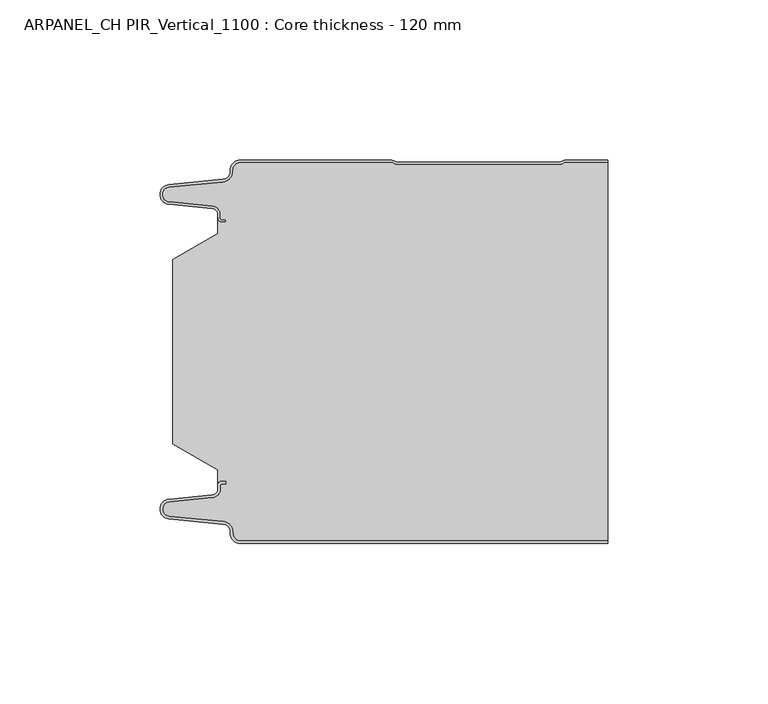
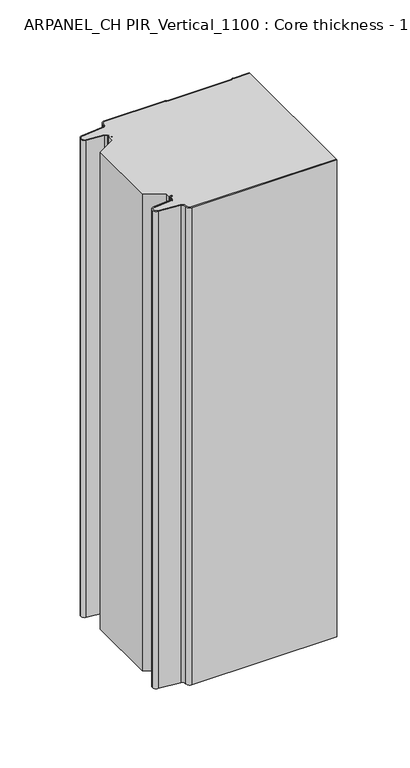
"""IFC4 building model written with IfcOpenShell, lengths in millimetres: plate geometry, ARPANEL_CH PIR_Vertical_1100 : Core thickness - 120 mm."""

from ifc_helpers import new_model, si_unit, frame, origin, place, context, project, spatial, polyline, circle_curve, source, transform, mapped, element, save
from ifc_brep_helpers import plane_surface, cylinder_surface, revolved_surface, advanced_brep


def arpanel_ch_pir_vertical_1100_core_thickness_120_mm_2ff50303(model_context):
    return source(origin(), model_context, "Body", "AdvancedBrep", [
        advanced_brep(
        [(-44.8000003, -119.9996949, 0.0), (-47.9923632, -116.5787437, 0.0), (-50.2560431, -113.9171154, 0.0), (-67.2115315, -112.2546153, 0.0), (-69.9999998, -109.1776715, 0.0), (-67.2115315, -106.1007278, 0.0), (-53.6195785, -104.7680252, 0.0), (-51.9952277, -102.9766159, 0.0), (-51.9952277, -101.8996949, 0.0), (-50.5952277, -100.4996949, 0.0), (-49.4952277, -100.4996949, 0.0), (-49.4952277, -101.2996949, 0.0), (-50.5952277, -101.2996949, 0.0), (-51.1952277, -101.8996949, 0.0), (-51.1952277, -102.9766159, 0.0), (-53.5415122, -105.5642071, 0.0), (-67.1334652, -106.8969097, 0.0), (-69.1999997, -109.1776715, 0.0), (-67.1334652, -111.4584333, 0.0), (-50.1779767, -113.1209335, 0.0), (-47.2078761, -116.6330399, 0.0), (-44.8000003, -119.1996949, 0.0), (69.9999998, -119.2, 0.0), (69.9999998, -119.9996949, 0.0), (-44.8000003, -119.1996949, 400.0), (-47.1942724, -116.6339815, 400.0), (-50.1779767, -113.1209335, 400.0), (-67.1334652, -111.4584333, 400.0), (-69.1999997, -109.1776715, 400.0), (-67.1334652, -106.8969097, 400.0), (-53.5415122, -105.5642071, 400.0), (-51.1952277, -102.9766159, 400.0), (-51.1952277, -101.8996949, 400.0), (-50.5952277, -101.2996949, 400.0), (-49.4952277, -101.2996949, 400.0), (-49.4952277, -100.4996949, 400.0), (-50.5952277, -100.4996949, 400.0), (-51.9952277, -101.8996949, 400.0), (-51.9952277, -102.9766159, 400.0), (-53.6195785, -104.7680252, 400.0), (-67.2115315, -106.1007278, 400.0), (-69.9999998, -109.1776715, 400.0), (-67.2115315, -112.2546153, 400.0), (-50.2560431, -113.9171154, 400.0), (-48.0059668, -116.5778021, 400.0), (-44.8000003, -119.9996949, 400.0), (69.9999998, -119.9996949, 400.0), (69.9999998, -119.2, 400.0)],
        [
            (0, 1, circle_curve(frame((-44.8000003, -116.7996949, 0.0), z_axis=(0.0, 0.0, -1.0), x_axis=(1.0, 0.0, 0.0)), 3.2)),
            (1, 2, circle_curve(frame((-50.5000003, -116.4051839, 0.0), z_axis=(0.0, 0.0, 1.0), x_axis=(1.0, 0.0, 0.0)), 2.5)),
            (2, 3),
            (3, 4, circle_curve(frame((-66.9100003, -109.1793626, 0.0), z_axis=(0.0, 0.0, -1.0), x_axis=(1.0, 0.0, 0.0)), 3.09)),
            (4, 5, circle_curve(frame((-66.9100003, -109.1759805, 0.0), z_axis=(0.0, 0.0, -1.0), x_axis=(1.0, 0.0, 0.0)), 3.09)),
            (5, 6),
            (6, 7, circle_curve(frame((-53.7952277, -102.9766159, 0.0), z_axis=(0.0, 0.0, 1.0), x_axis=(1.0, 0.0, 0.0)), 1.8)),
            (7, 8),
            (8, 9, circle_curve(frame((-50.5952277, -101.8996949, 0.0), z_axis=(0.0, 0.0, -1.0), x_axis=(1.0, 0.0, 0.0)), 1.4)),
            (9, 10),
            (10, 11),
            (11, 12),
            (12, 13, circle_curve(frame((-50.5952277, -101.8996949, 0.0), z_axis=(0.0, 0.0, 1.0), x_axis=(1.0, 0.0, 0.0)), 0.6)),
            (13, 14),
            (14, 15, circle_curve(frame((-53.7952277, -102.9766159, 0.0), z_axis=(0.0, 0.0, -1.0), x_axis=(1.0, 0.0, 0.0)), 2.6)),
            (15, 16),
            (16, 17, circle_curve(frame((-66.9100003, -109.1759805, 0.0), z_axis=(0.0, 0.0, 1.0), x_axis=(1.0, 0.0, 0.0)), 2.29)),
            (17, 18, circle_curve(frame((-66.9100003, -109.1793626, 0.0), z_axis=(0.0, 0.0, 1.0), x_axis=(1.0, 0.0, 0.0)), 2.29)),
            (18, 19),
            (19, 20, circle_curve(frame((-50.5000003, -116.4051839, 0.0), z_axis=(0.0, 0.0, -1.0), x_axis=(1.0, 0.0, 0.0)), 3.3)),
            (20, 21, circle_curve(frame((-44.8000003, -116.7996949, 0.0), z_axis=(0.0, 0.0, 1.0), x_axis=(1.0, 0.0, 0.0)), 2.4)),
            (21, 22),
            (22, 23),
            (23, 0),
            (24, 25, circle_curve(frame((-44.8000003, -116.7996949, 400.0), z_axis=(0.0, 0.0, -1.0), x_axis=(1.0, 0.0, 0.0)), 2.4)),
            (25, 26, circle_curve(frame((-50.5000003, -116.4051839, 400.0), z_axis=(0.0, 0.0, 1.0), x_axis=(1.0, 0.0, 0.0)), 3.3)),
            (26, 27),
            (27, 28, circle_curve(frame((-66.9100003, -109.1793626, 400.0), z_axis=(0.0, 0.0, -1.0), x_axis=(1.0, 0.0, 0.0)), 2.29)),
            (28, 29, circle_curve(frame((-66.9100003, -109.1759805, 400.0), z_axis=(0.0, 0.0, -1.0), x_axis=(1.0, 0.0, 0.0)), 2.29)),
            (29, 30),
            (30, 31, circle_curve(frame((-53.7952277, -102.9766159, 400.0), z_axis=(0.0, 0.0, 1.0), x_axis=(1.0, 0.0, 0.0)), 2.6)),
            (31, 32),
            (32, 33, circle_curve(frame((-50.5952277, -101.8996949, 400.0), z_axis=(0.0, 0.0, -1.0), x_axis=(1.0, 0.0, 0.0)), 0.6)),
            (33, 34),
            (34, 35),
            (35, 36),
            (36, 37, circle_curve(frame((-50.5952277, -101.8996949, 400.0), z_axis=(0.0, 0.0, 1.0), x_axis=(1.0, 0.0, 0.0)), 1.4)),
            (37, 38),
            (38, 39, circle_curve(frame((-53.7952277, -102.9766159, 400.0), z_axis=(0.0, 0.0, -1.0), x_axis=(1.0, 0.0, 0.0)), 1.8)),
            (39, 40),
            (40, 41, circle_curve(frame((-66.9100003, -109.1759805, 400.0), z_axis=(0.0, 0.0, 1.0), x_axis=(1.0, 0.0, 0.0)), 3.09)),
            (41, 42, circle_curve(frame((-66.9100003, -109.1793626, 400.0), z_axis=(0.0, 0.0, 1.0), x_axis=(1.0, 0.0, 0.0)), 3.09)),
            (42, 43),
            (43, 44, circle_curve(frame((-50.5000003, -116.4051839, 400.0), z_axis=(0.0, 0.0, -1.0), x_axis=(1.0, 0.0, 0.0)), 2.5)),
            (44, 45, circle_curve(frame((-44.8000003, -116.7996949, 400.0), z_axis=(0.0, 0.0, 1.0), x_axis=(1.0, 0.0, 0.0)), 3.2)),
            (45, 46),
            (46, 47),
            (47, 24),
            (21, 24),
            (47, 22),
            (20, 25),
            (19, 26),
            (18, 27),
            (17, 28),
            (16, 29),
            (15, 30),
            (14, 31),
            (13, 32),
            (12, 33),
            (11, 34),
            (10, 35),
            (9, 36),
            (8, 37),
            (7, 38),
            (6, 39),
            (5, 40),
            (4, 41),
            (3, 42),
            (2, 43),
            (1, 44),
            (0, 45),
            (23, 46),
        ],
        [
            plane_surface(frame((-69.9999998, -120.0, 0.0), z_axis=(0.0, 0.0, -1.0), x_axis=(0.0, 1.0, 0.0))),
            plane_surface(frame((-69.9999998, -120.0, 400.0), z_axis=(0.0, 0.0, 1.0), x_axis=(0.0, 1.0, 0.0))),
            plane_surface(frame((-44.8000003, -119.2, 0.0), z_axis=(0.0, 1.0, 0.0), x_axis=(0.0, 0.0, 1.0))),
            revolved_surface(polyline([(-42.4000003, -116.7996949, 400.0), (-42.4000003, -116.7996949, 0.0)]), (-44.8000003, -116.7996949, 0.0), (0.0, 0.0, 1.0)),
            cylinder_surface(frame((-50.5000003, -116.4051839, 0.0), z_axis=(0.0, 0.0, -1.0), x_axis=(1.0, 0.0, 0.0)), 3.3),
            plane_surface(frame((-67.1334652, -111.4584333, 0.0), z_axis=(0.09758289975914758, 0.9952273999818314, 0.0), x_axis=(0.0, 0.0, 1.0))),
            revolved_surface(polyline([(-64.62000029999999, -109.1793626, 400.0), (-64.62000029999999, -109.1793626, 0.0)]), (-66.9100003, -109.1793626, 0.0), (0.0, 0.0, 1.0)),
            revolved_surface(polyline([(-64.62000029999999, -109.1759805, 400.0), (-64.62000029999999, -109.1759805, 0.0)]), (-66.9100003, -109.1759805, 0.0), (0.0, 0.0, 1.0)),
            plane_surface(frame((-53.5415122, -105.5642071, 0.0), z_axis=(0.09758289975914383, -0.9952273999818317, 0.0), x_axis=(0.0, 0.0, 1.0))),
            cylinder_surface(frame((-53.7952277, -102.9766159, 0.0), z_axis=(0.0, 0.0, -1.0), x_axis=(1.0, 0.0, 0.0)), 2.6),
            plane_surface(frame((-51.1952277, -101.8996949, 0.0), z_axis=(1.0, 0.0, 0.0), x_axis=(0.0, 0.0, 1.0))),
            revolved_surface(polyline([(-49.9952277, -101.8996949, 400.0), (-49.9952277, -101.8996949, 0.0)]), (-50.5952277, -101.8996949, 0.0), (0.0, 0.0, 1.0)),
            plane_surface(frame((-49.4952277, -101.2996949, 0.0), z_axis=(0.0, -1.0, 0.0), x_axis=(0.0, 0.0, 1.0))),
            plane_surface(frame((-49.4952277, -100.4996949, 0.0), z_axis=(1.0, 0.0, 0.0), x_axis=(0.0, 0.0, 1.0))),
            plane_surface(frame((-50.5952277, -100.4996949, 0.0), z_axis=(0.0, 1.0, 0.0), x_axis=(0.0, 0.0, 1.0))),
            cylinder_surface(frame((-50.5952277, -101.8996949, 0.0), z_axis=(0.0, 0.0, -1.0), x_axis=(1.0, 0.0, 0.0)), 1.4),
            plane_surface(frame((-51.9952277, -102.9766159, 0.0), z_axis=(-1.0, 0.0, 0.0), x_axis=(0.0, 0.0, 1.0))),
            revolved_surface(polyline([(-51.9952277, -102.9766159, 400.0), (-51.9952277, -102.9766159, 0.0)]), (-53.7952277, -102.9766159, 0.0), (0.0, 0.0, 1.0)),
            plane_surface(frame((-67.2115315, -106.1007278, 0.0), z_axis=(-0.09758289975914387, 0.9952273999818317, 0.0), x_axis=(0.0, 0.0, 1.0))),
            cylinder_surface(frame((-66.9100003, -109.1759805, 0.0), z_axis=(0.0, 0.0, -1.0), x_axis=(1.0, 0.0, 0.0)), 3.09),
            cylinder_surface(frame((-66.9100003, -109.1793626, 0.0), z_axis=(0.0, 0.0, -1.0), x_axis=(1.0, 0.0, 0.0)), 3.09),
            plane_surface(frame((-50.2560431, -113.9171154, 0.0), z_axis=(-0.09758289975914762, -0.9952273999818314, 0.0), x_axis=(0.0, 0.0, 1.0))),
            revolved_surface(polyline([(-48.0000003, -116.4051839, 400.0), (-48.0000003, -116.4051839, 0.0)]), (-50.5000003, -116.4051839, 0.0), (0.0, 0.0, 1.0)),
            cylinder_surface(frame((-44.8000003, -116.7996949, 0.0), z_axis=(0.0, 0.0, -1.0), x_axis=(1.0, 0.0, 0.0)), 3.2),
            plane_surface(frame((1046.009932, -119.9996949, 0.0), z_axis=(0.0, -1.0, 0.0), x_axis=(0.0, 0.0, 1.0))),
            plane_surface(frame((69.9999998, 180.0, 400.0), z_axis=(1.0, 0.0, 0.0), x_axis=(0.0, 0.0, -1.0))),
        ],
        [
            (0, [[1, 2, 3, 4, 5, 6, 7, 8, 9, 10, 11, 12, 13, 14, 15, 16, 17, 18, 19, 20, 21, 22, 23, 24]]),
            (1, [[25, 26, 27, 28, 29, 30, 31, 32, 33, 34, 35, 36, 37, 38, 39, 40, 41, 42, 43, 44, 45, 46, 47, 48]]),
            (2, [[49, -48, 50, -22]]),
            (3, [[-21, 51, -25, -49]]),
            (4, [[-20, 52, -26, -51]]),
            (5, [[-19, 53, -27, -52]]),
            (6, [[-18, 54, -28, -53]]),
            (7, [[-17, 55, -29, -54]]),
            (8, [[-16, 56, -30, -55]]),
            (9, [[-15, 57, -31, -56]]),
            (10, [[-14, 58, -32, -57]]),
            (11, [[-13, 59, -33, -58]]),
            (12, [[-12, 60, -34, -59]]),
            (13, [[-11, 61, -35, -60]]),
            (14, [[-10, 62, -36, -61]]),
            (15, [[-9, 63, -37, -62]]),
            (16, [[-8, 64, -38, -63]]),
            (17, [[-7, 65, -39, -64]]),
            (18, [[-6, 66, -40, -65]]),
            (19, [[-5, 67, -41, -66]]),
            (20, [[-4, 68, -42, -67]]),
            (21, [[-3, 69, -43, -68]]),
            (22, [[-2, 70, -44, -69]]),
            (23, [[-1, 71, -45, -70]]),
            (24, [[-71, -24, 72, -46]]),
            (25, [[-23, -50, -47, -72]]),
        ],
    ),
        advanced_brep(
        [(-51.9952277, -23.1062917, 400.0), (-66.0446509, -31.1628062, 400.0), (-66.0446509, -88.7531937, 400.0), (-51.9952277, -96.8937083, 400.0), (-51.9952277, -100.4996949, 400.0), (-51.9952277, -101.8996949, 400.0), (-50.5952277, -100.4996949, 400.0), (-49.4952277, -100.4996949, 400.0), (-49.4952277, -101.2996949, 400.0), (-50.5952277, -101.2996949, 400.0), (-51.1952277, -101.8996949, 400.0), (-51.1952277, -102.9766159, 400.0), (-53.5415122, -105.5642071, 400.0), (-67.1334652, -106.8969097, 400.0), (-69.1999997, -109.1776715, 400.0), (-67.1334652, -111.4584333, 400.0), (-50.1779767, -113.1209335, 400.0), (-47.2078761, -116.6330399, 400.0), (-44.8000003, -119.1996949, 400.0), (69.9999998, -119.2, 400.0), (69.9999998, -0.8, 400.0), (57.0487965, -0.8, 400.0), (55.9973806, -1.0986697, 400.0), (54.5769997, -1.5003051, 400.0), (4.4172165, -1.5003051, 400.0), (2.9978051, -1.0971009, 400.0), (1.9454197, -0.8, 400.0), (-44.8000003, -0.8, 400.0), (-47.1942724, -3.3660185, 400.0), (-50.1779767, -6.8790665, 400.0), (-67.1334652, -8.5415667, 400.0), (-69.1999997, -10.8223285, 400.0), (-67.1334652, -13.1030903, 400.0), (-53.5415122, -14.4357929, 400.0), (-51.1952277, -17.0233841, 400.0), (-51.1952277, -18.1003051, 400.0), (-50.5952277, -18.7003051, 400.0), (-49.4952277, -18.7003051, 400.0), (-49.4952277, -19.5003051, 400.0), (-50.5952277, -19.5003051, 400.0), (-51.9952277, -18.1003051, 400.0), (-51.9952277, -19.5003051, 400.0), (-51.9952277, -96.8937083, 0.0), (-66.0446509, -88.7531937, 0.0), (-66.0446509, -31.1628062, 0.0), (-51.9952277, -23.1062917, 0.0), (-51.9952277, -19.5003051, 0.0), (-51.9952277, -18.1003051, 0.0), (-50.5952277, -19.5003051, 0.0), (-49.4952277, -19.5003051, 0.0), (-49.4952277, -18.7003051, 0.0), (-50.5952277, -18.7003051, 0.0), (-51.1952277, -18.1003051, 0.0), (-51.1952277, -17.0233841, 0.0), (-53.5415122, -14.4357929, 0.0), (-67.1334652, -13.1030903, 0.0), (-69.1999997, -10.8223285, 0.0), (-67.1334652, -8.5415667, 0.0), (-50.1779767, -6.8790665, 0.0), (-47.2078761, -3.3669601, 0.0), (-44.8000003, -0.8003051, 0.0), (1.9454197, -0.8, 0.0), (2.9968355, -1.0986697, 0.0), (4.4172165, -1.5003051, 0.0), (54.5769997, -1.5003051, 0.0), (55.9964111, -1.0971009, 0.0), (57.0487965, -0.8, 0.0), (69.9999998, -0.8, 0.0), (69.9999998, -119.2, 0.0), (-44.8000003, -119.2, 0.0), (-47.1942724, -116.6339815, 0.0), (-50.1779767, -113.1209335, 0.0), (-67.1334652, -111.4584333, 0.0), (-69.1999997, -109.1776715, 0.0), (-67.1334652, -106.8969097, 0.0), (-53.5415122, -105.5642071, 0.0), (-51.1952277, -102.9766159, 0.0), (-51.1952277, -101.8996949, 0.0), (-50.5952277, -101.2996949, 0.0), (-49.4952277, -101.2996949, 0.0), (-49.4952277, -100.4996949, 0.0), (-50.5952277, -100.4996949, 0.0), (-51.9952277, -101.8996949, 0.0), (-51.9952277, -100.4996949, 0.0)],
        [
            (0, 1),
            (1, 2),
            (2, 3),
            (3, 4),
            (4, 5),
            (5, 6, circle_curve(frame((-50.5952277, -101.8996949, 400.0), z_axis=(0.0, 0.0, -1.0), x_axis=(1.0, 0.0, 0.0)), 1.4)),
            (6, 7),
            (7, 8),
            (8, 9),
            (9, 10, circle_curve(frame((-50.5952277, -101.8996949, 400.0), z_axis=(0.0, 0.0, 1.0), x_axis=(1.0, 0.0, 0.0)), 0.6)),
            (10, 11),
            (11, 12, circle_curve(frame((-53.7952277, -102.9766159, 400.0), z_axis=(0.0, 0.0, -1.0), x_axis=(1.0, 0.0, 0.0)), 2.6)),
            (12, 13),
            (13, 14, circle_curve(frame((-66.9100003, -109.1759805, 400.0), z_axis=(0.0, 0.0, 1.0), x_axis=(1.0, 0.0, 0.0)), 2.29)),
            (14, 15, circle_curve(frame((-66.9100003, -109.1793626, 400.0), z_axis=(0.0, 0.0, 1.0), x_axis=(1.0, 0.0, 0.0)), 2.29)),
            (15, 16),
            (16, 17, circle_curve(frame((-50.5000003, -116.4051839, 400.0), z_axis=(0.0, 0.0, -1.0), x_axis=(1.0, 0.0, 0.0)), 3.3)),
            (17, 18, circle_curve(frame((-44.8000003, -116.7996949, 400.0), z_axis=(0.0, 0.0, 1.0), x_axis=(1.0, 0.0, 0.0)), 2.4)),
            (18, 19),
            (19, 20),
            (20, 21),
            (21, 22, circle_curve(frame((57.0487965, -2.8, 400.0), z_axis=(0.0, 0.0, 1.0), x_axis=(1.0, 0.0, 0.0)), 2.0)),
            (22, 23, circle_curve(frame((54.5769997, 1.1996949, 400.0), z_axis=(0.0, 0.0, -1.0), x_axis=(1.0, 0.0, 0.0)), 2.7)),
            (23, 24),
            (24, 25, circle_curve(frame((4.4172165, 1.1996949, 400.0), z_axis=(0.0, 0.0, -1.0), x_axis=(1.0, 0.0, 0.0)), 2.7)),
            (25, 26, circle_curve(frame((1.9454197, -2.8, 400.0), z_axis=(0.0, 0.0, 1.0), x_axis=(1.0, 0.0, 0.0)), 2.0)),
            (26, 27),
            (27, 28, circle_curve(frame((-44.8000003, -3.2003051, 400.0), z_axis=(0.0, 0.0, 1.0), x_axis=(1.0, 0.0, 0.0)), 2.4)),
            (28, 29, circle_curve(frame((-50.5000003, -3.5948161, 400.0), z_axis=(0.0, 0.0, -1.0), x_axis=(1.0, 0.0, 0.0)), 3.3)),
            (29, 30),
            (30, 31, circle_curve(frame((-66.9100003, -10.8206374, 400.0), z_axis=(0.0, 0.0, 1.0), x_axis=(1.0, 0.0, 0.0)), 2.29)),
            (31, 32, circle_curve(frame((-66.9100003, -10.8240195, 400.0), z_axis=(0.0, 0.0, 1.0), x_axis=(1.0, 0.0, 0.0)), 2.29)),
            (32, 33),
            (33, 34, circle_curve(frame((-53.7952277, -17.0233841, 400.0), z_axis=(0.0, 0.0, -1.0), x_axis=(1.0, 0.0, 0.0)), 2.6)),
            (34, 35),
            (35, 36, circle_curve(frame((-50.5952277, -18.1003051, 400.0), z_axis=(0.0, 0.0, 1.0), x_axis=(1.0, 0.0, 0.0)), 0.6)),
            (36, 37),
            (37, 38),
            (38, 39),
            (39, 40, circle_curve(frame((-50.5952277, -18.1003051, 400.0), z_axis=(0.0, 0.0, -1.0), x_axis=(1.0, 0.0, 0.0)), 1.4)),
            (40, 41),
            (41, 0),
            (42, 43),
            (43, 44),
            (44, 45),
            (45, 46),
            (46, 47),
            (47, 48, circle_curve(frame((-50.5952277, -18.1003051, 0.0), z_axis=(0.0, 0.0, 1.0), x_axis=(1.0, 0.0, 0.0)), 1.4)),
            (48, 49),
            (49, 50),
            (50, 51),
            (51, 52, circle_curve(frame((-50.5952277, -18.1003051, 0.0), z_axis=(0.0, 0.0, -1.0), x_axis=(1.0, 0.0, 0.0)), 0.6)),
            (52, 53),
            (53, 54, circle_curve(frame((-53.7952277, -17.0233841, 0.0), z_axis=(0.0, 0.0, 1.0), x_axis=(1.0, 0.0, 0.0)), 2.6)),
            (54, 55),
            (55, 56, circle_curve(frame((-66.9100003, -10.8240195, 0.0), z_axis=(0.0, 0.0, -1.0), x_axis=(1.0, 0.0, 0.0)), 2.29)),
            (56, 57, circle_curve(frame((-66.9100003, -10.8206374, 0.0), z_axis=(0.0, 0.0, -1.0), x_axis=(1.0, 0.0, 0.0)), 2.29)),
            (57, 58),
            (58, 59, circle_curve(frame((-50.5000003, -3.5948161, 0.0), z_axis=(0.0, 0.0, 1.0), x_axis=(1.0, 0.0, 0.0)), 3.3)),
            (59, 60, circle_curve(frame((-44.8000003, -3.2003051, 0.0), z_axis=(0.0, 0.0, -1.0), x_axis=(1.0, 0.0, 0.0)), 2.4)),
            (60, 61),
            (61, 62, circle_curve(frame((1.9454197, -2.8, 0.0), z_axis=(0.0, 0.0, -1.0), x_axis=(1.0, 0.0, 0.0)), 2.0)),
            (62, 63, circle_curve(frame((4.4172165, 1.1996949, 0.0), z_axis=(0.0, 0.0, 1.0), x_axis=(1.0, 0.0, 0.0)), 2.7)),
            (63, 64),
            (64, 65, circle_curve(frame((54.5769997, 1.1996949, 0.0), z_axis=(0.0, 0.0, 1.0), x_axis=(1.0, 0.0, 0.0)), 2.7)),
            (65, 66, circle_curve(frame((57.0487965, -2.8, 0.0), z_axis=(0.0, 0.0, -1.0), x_axis=(1.0, 0.0, 0.0)), 2.0)),
            (66, 67),
            (67, 68),
            (68, 69),
            (69, 70, circle_curve(frame((-44.8000003, -116.7996949, 0.0), z_axis=(0.0, 0.0, -1.0), x_axis=(1.0, 0.0, 0.0)), 2.4)),
            (70, 71, circle_curve(frame((-50.5000003, -116.4051839, 0.0), z_axis=(0.0, 0.0, 1.0), x_axis=(1.0, 0.0, 0.0)), 3.3)),
            (71, 72),
            (72, 73, circle_curve(frame((-66.9100003, -109.1793626, 0.0), z_axis=(0.0, 0.0, -1.0), x_axis=(1.0, 0.0, 0.0)), 2.29)),
            (73, 74, circle_curve(frame((-66.9100003, -109.1759805, 0.0), z_axis=(0.0, 0.0, -1.0), x_axis=(1.0, 0.0, 0.0)), 2.29)),
            (74, 75),
            (75, 76, circle_curve(frame((-53.7952277, -102.9766159, 0.0), z_axis=(0.0, 0.0, 1.0), x_axis=(1.0, 0.0, 0.0)), 2.6)),
            (76, 77),
            (77, 78, circle_curve(frame((-50.5952277, -101.8996949, 0.0), z_axis=(0.0, 0.0, -1.0), x_axis=(1.0, 0.0, 0.0)), 0.6)),
            (78, 79),
            (79, 80),
            (80, 81),
            (81, 82, circle_curve(frame((-50.5952277, -101.8996949, 0.0), z_axis=(0.0, 0.0, 1.0), x_axis=(1.0, 0.0, 0.0)), 1.4)),
            (82, 83),
            (83, 42),
            (45, 0),
            (40, 47),
            (1, 44),
            (43, 2),
            (42, 3),
            (82, 5),
            (18, 69),
            (68, 19),
            (17, 70),
            (16, 71),
            (15, 72),
            (14, 73),
            (13, 74),
            (12, 75),
            (11, 76),
            (10, 77),
            (9, 78),
            (8, 79),
            (7, 80),
            (6, 81),
            (60, 27),
            (26, 61),
            (25, 62),
            (24, 63),
            (23, 64),
            (22, 65),
            (21, 66),
            (20, 67),
            (39, 48),
            (38, 49),
            (37, 50),
            (36, 51),
            (35, 52),
            (34, 53),
            (33, 54),
            (32, 55),
            (31, 56),
            (30, 57),
            (29, 58),
            (28, 59),
        ],
        [
            plane_surface(frame((-69.9999998, 0.0, 400.0), z_axis=(0.0, 0.0, 1.0), x_axis=(0.0, -1.0, 0.0))),
            plane_surface(frame((-69.9999998, 0.0, 0.0), z_axis=(0.0, 0.0, -1.0), x_axis=(0.0, -1.0, 0.0))),
            plane_surface(frame((-51.9952277, -17.0229218, 400.0), z_axis=(-1.0, 0.0, 0.0), x_axis=(0.0, 0.0, -1.0))),
            plane_surface(frame((-66.0446509, -31.1628062, 400.0), z_axis=(-1.0, 0.0, 0.0), x_axis=(0.0, 0.0, -1.0))),
            plane_surface(frame((-51.9952277, -23.1062917, 400.0), z_axis=(-0.4974543664933155, 0.8674901459133322, 0.0), x_axis=(0.0, 0.0, -1.0))),
            plane_surface(frame((-66.0446509, -88.7531937, 400.0), z_axis=(-0.5013424225369615, -0.8652489672717159, 0.0), x_axis=(0.0, 0.0, -1.0))),
            plane_surface(frame((-51.9952277, -96.8937083, 400.0), z_axis=(-1.0, 0.0, 0.0), x_axis=(0.0, 0.0, -1.0))),
            plane_surface(frame((1046.009932, -119.2, 530.0), z_axis=(0.0, -1.0, 0.0), x_axis=(0.0, 0.0, -1.0))),
            cylinder_surface(frame((-44.8000003, -116.7996949, 530.0), z_axis=(0.0, 0.0, -1.0), x_axis=(1.0, 0.0, 0.0)), 2.4),
            revolved_surface(polyline([(-47.200000300000006, -116.4051839, 400.0), (-47.200000300000006, -116.4051839, 0.0)]), (-50.5000003, -116.4051839, 530.0), (0.0, 0.0, 1.0)),
            plane_surface(frame((-50.1779767, -113.1209335, 530.0), z_axis=(-0.09758289975914758, -0.9952273999818314, 0.0), x_axis=(0.0, 0.0, -1.0))),
            cylinder_surface(frame((-66.9100003, -109.1793626, 530.0), z_axis=(0.0, 0.0, -1.0), x_axis=(1.0, 0.0, 0.0)), 2.29),
            cylinder_surface(frame((-66.9100003, -109.1759805, 530.0), z_axis=(0.0, 0.0, -1.0), x_axis=(1.0, 0.0, 0.0)), 2.29),
            plane_surface(frame((-67.1334652, -106.8969097, 530.0), z_axis=(-0.09758289975914383, 0.9952273999818317, 0.0), x_axis=(0.0, 0.0, -1.0))),
            revolved_surface(polyline([(-51.1952277, -102.9766159, 400.0), (-51.1952277, -102.9766159, 0.0)]), (-53.7952277, -102.9766159, 530.0), (0.0, 0.0, 1.0)),
            plane_surface(frame((-51.1952277, -102.9766159, 530.0), z_axis=(-1.0, 0.0, 0.0), x_axis=(0.0, 0.0, -1.0))),
            cylinder_surface(frame((-50.5952277, -101.8996949, 530.0), z_axis=(0.0, 0.0, -1.0), x_axis=(1.0, 0.0, 0.0)), 0.6),
            plane_surface(frame((-50.5952277, -101.2996949, 530.0), z_axis=(0.0, 1.0, 0.0), x_axis=(0.0, 0.0, -1.0))),
            plane_surface(frame((-49.4952277, -101.2996949, 530.0), z_axis=(-1.0, 0.0, 0.0), x_axis=(0.0, 0.0, -1.0))),
            plane_surface(frame((-49.4952277, -100.4996949, 530.0), z_axis=(0.0, -1.0, 0.0), x_axis=(0.0, 0.0, -1.0))),
            revolved_surface(polyline([(-49.195227700000004, -101.8996949, 400.0), (-49.195227700000004, -101.8996949, 0.0)]), (-50.5952277, -101.8996949, 530.0), (0.0, 0.0, 1.0)),
            plane_surface(frame((-44.8000003, -0.8, 530.0), z_axis=(0.0, 1.0, 0.0), x_axis=(0.0, 0.0, -1.0))),
            cylinder_surface(frame((1.9454197, -2.8, 530.0), z_axis=(0.0, 0.0, -1.0), x_axis=(1.0, 0.0, 0.0)), 2.0),
            revolved_surface(polyline([(7.1172165000000005, 1.1996949, 400.0), (7.1172165000000005, 1.1996949, 0.0)]), (4.4172165, 1.1996949, 530.0), (0.0, 0.0, 1.0)),
            plane_surface(frame((4.4172165, -1.5003051, 530.0), z_axis=(0.0, 1.0, 0.0), x_axis=(0.0, 0.0, -1.0))),
            revolved_surface(polyline([(57.276999700000005, 1.1996949, 400.0), (57.276999700000005, 1.1996949, 0.0)]), (54.5769997, 1.1996949, 530.0), (0.0, 0.0, 1.0)),
            cylinder_surface(frame((57.0487965, -2.8, 530.0), z_axis=(0.0, 0.0, -1.0), x_axis=(1.0, 0.0, 0.0)), 2.0),
            plane_surface(frame((57.0487965, -0.8, 530.0), z_axis=(0.0, 1.0, 0.0), x_axis=(0.0, 0.0, -1.0))),
            revolved_surface(polyline([(-49.195227700000004, -18.1003051, 400.0), (-49.195227700000004, -18.1003051, 0.0)]), (-50.5952277, -18.1003051, 530.0), (0.0, 0.0, 1.0)),
            plane_surface(frame((-50.5952277, -19.5003051, 530.0), z_axis=(0.0, 1.0, 0.0), x_axis=(0.0, 0.0, -1.0))),
            plane_surface(frame((-49.4952277, -19.5003051, 530.0), z_axis=(-1.0, 0.0, 0.0), x_axis=(0.0, 0.0, -1.0))),
            plane_surface(frame((-49.4952277, -18.7003051, 530.0), z_axis=(0.0, -1.0, 0.0), x_axis=(0.0, 0.0, -1.0))),
            cylinder_surface(frame((-50.5952277, -18.1003051, 530.0), z_axis=(0.0, 0.0, -1.0), x_axis=(1.0, 0.0, 0.0)), 0.6),
            plane_surface(frame((-51.1952277, -18.1003051, 530.0), z_axis=(-1.0, 0.0, 0.0), x_axis=(0.0, 0.0, -1.0))),
            revolved_surface(polyline([(-51.1952277, -17.0233841, 400.0), (-51.1952277, -17.0233841, 0.0)]), (-53.7952277, -17.0233841, 530.0), (0.0, 0.0, 1.0)),
            plane_surface(frame((-53.5415122, -14.4357929, 530.0), z_axis=(-0.09758289975914705, -0.9952273999818314, 0.0), x_axis=(0.0, 0.0, -1.0))),
            cylinder_surface(frame((-66.9100003, -10.8240195, 530.0), z_axis=(0.0, 0.0, -1.0), x_axis=(1.0, 0.0, 0.0)), 2.29),
            cylinder_surface(frame((-66.9100003, -10.8206374, 530.0), z_axis=(0.0, 0.0, -1.0), x_axis=(1.0, 0.0, 0.0)), 2.29),
            plane_surface(frame((-67.1334652, -8.5415667, 530.0), z_axis=(-0.09758289975914436, 0.9952273999818317, 0.0), x_axis=(0.0, 0.0, -1.0))),
            revolved_surface(polyline([(-47.200000300000006, -3.5948161, 400.0), (-47.200000300000006, -3.5948161, 0.0)]), (-50.5000003, -3.5948161, 530.0), (0.0, 0.0, 1.0)),
            cylinder_surface(frame((-44.8000003, -3.2003051, 530.0), z_axis=(0.0, 0.0, -1.0), x_axis=(1.0, 0.0, 0.0)), 2.4),
            plane_surface(frame((69.9999998, 180.0, 400.0), z_axis=(1.0, 0.0, 0.0), x_axis=(0.0, 0.0, -1.0))),
        ],
        [
            (0, [[1, 2, 3, 4, 5, 6, 7, 8, 9, 10, 11, 12, 13, 14, 15, 16, 17, 18, 19, 20, 21, 22, 23, 24, 25, 26, 27, 28, 29, 30, 31, 32, 33, 34, 35, 36, 37, 38, 39, 40, 41, 42]]),
            (1, [[43, 44, 45, 46, 47, 48, 49, 50, 51, 52, 53, 54, 55, 56, 57, 58, 59, 60, 61, 62, 63, 64, 65, 66, 67, 68, 69, 70, 71, 72, 73, 74, 75, 76, 77, 78, 79, 80, 81, 82, 83, 84]]),
            (2, [[85, -42, -41, 86, -47, -46]]),
            (3, [[-2, 87, -44, 88]]),
            (4, [[-1, -85, -45, -87]]),
            (5, [[-3, -88, -43, 89]]),
            (6, [[-89, -84, -83, 90, -5, -4]]),
            (7, [[91, -69, 92, -19]]),
            (8, [[-91, -18, 93, -70]]),
            (9, [[-93, -17, 94, -71]]),
            (10, [[-94, -16, 95, -72]]),
            (11, [[-95, -15, 96, -73]]),
            (12, [[-96, -14, 97, -74]]),
            (13, [[-97, -13, 98, -75]]),
            (14, [[-98, -12, 99, -76]]),
            (15, [[-99, -11, 100, -77]]),
            (16, [[-100, -10, 101, -78]]),
            (17, [[-101, -9, 102, -79]]),
            (18, [[-102, -8, 103, -80]]),
            (19, [[-103, -7, 104, -81]]),
            (20, [[-104, -6, -90, -82]]),
            (21, [[105, -27, 106, -61]]),
            (22, [[-106, -26, 107, -62]]),
            (23, [[-107, -25, 108, -63]]),
            (24, [[-108, -24, 109, -64]]),
            (25, [[-109, -23, 110, -65]]),
            (26, [[-110, -22, 111, -66]]),
            (27, [[-111, -21, 112, -67]]),
            (28, [[113, -48, -86, -40]]),
            (29, [[-113, -39, 114, -49]]),
            (30, [[-114, -38, 115, -50]]),
            (31, [[-115, -37, 116, -51]]),
            (32, [[-116, -36, 117, -52]]),
            (33, [[-117, -35, 118, -53]]),
            (34, [[-118, -34, 119, -54]]),
            (35, [[-119, -33, 120, -55]]),
            (36, [[-120, -32, 121, -56]]),
            (37, [[-121, -31, 122, -57]]),
            (38, [[-122, -30, 123, -58]]),
            (39, [[-123, -29, 124, -59]]),
            (40, [[-105, -60, -124, -28]]),
            (41, [[-92, -68, -112, -20]]),
        ],
    ),
        advanced_brep(
        [(2.9968355, -1.0986697, 0.0), (1.9454197, -0.8, 0.0), (-44.8000003, -0.8, 0.0), (-47.1942724, -3.3660185, 0.0), (-50.1779767, -6.8790665, 0.0), (-67.1334652, -8.5415667, 0.0), (-69.1999997, -10.8223285, 0.0), (-67.1334652, -13.1030903, 0.0), (-53.5415122, -14.4357929, 0.0), (-51.1952277, -17.0233841, 0.0), (-51.1952277, -18.1003051, 0.0), (-50.5952277, -18.7003051, 0.0), (-49.4952277, -18.7003051, 0.0), (-49.4952277, -19.5003051, 0.0), (-50.5952277, -19.5003051, 0.0), (-51.9952277, -18.1003051, 0.0), (-51.9952277, -17.0233841, 0.0), (-53.6195785, -15.2319748, 0.0), (-67.2115315, -13.8992722, 0.0), (-69.9999998, -10.8223285, 0.0), (-67.2115315, -7.7453847, 0.0), (-50.2560431, -6.0828846, 0.0), (-48.0059668, -3.4221979, 0.0), (-44.8000003, -0.0003051, 0.0), (1.9454197, -0.0003051, 0.0), (3.3647528, -0.4034608, 0.0), (4.4172165, -0.7003051, 0.0), (54.5769997, -0.7003051, 0.0), (55.6283575, -0.4016712, 0.0), (57.0487965, -0.0003051, 0.0), (69.9999998, -0.0003051, 0.0), (69.9999998, -0.8, 0.0), (57.0487965, -0.8, 0.0), (55.9973806, -1.0986697, 0.0), (54.5769997, -1.5003051, 0.0), (4.4172165, -1.5003051, 0.0), (2.9978051, -1.0971009, 400.0), (4.4172165, -1.5003051, 400.0), (54.5769997, -1.5003051, 400.0), (55.9964111, -1.0971009, 400.0), (57.0487965, -0.8, 400.0), (69.9999998, -0.8, 400.0), (69.9999998, -0.0003051, 400.0), (57.0487965, -0.0003051, 400.0), (55.6294634, -0.4034608, 400.0), (54.5769997, -0.7003051, 400.0), (4.4172165, -0.7003051, 400.0), (3.3658586, -0.4016712, 400.0), (1.9454197, -0.0003051, 400.0), (-44.8000003, -0.0003051, 400.0), (-47.9923632, -3.4212563, 400.0), (-50.2560431, -6.0828846, 400.0), (-67.2115315, -7.7453847, 400.0), (-69.9999998, -10.8223285, 400.0), (-67.2115315, -13.8992722, 400.0), (-53.6195785, -15.2319748, 400.0), (-51.9952277, -17.0233841, 400.0), (-51.9952277, -18.1003051, 400.0), (-50.5952277, -19.5003051, 400.0), (-49.4952277, -19.5003051, 400.0), (-49.4952277, -18.7003051, 400.0), (-50.5952277, -18.7003051, 400.0), (-51.1952277, -18.1003051, 400.0), (-51.1952277, -17.0233841, 400.0), (-53.5415122, -14.4357929, 400.0), (-67.1334652, -13.1030903, 400.0), (-69.1999997, -10.8223285, 400.0), (-67.1334652, -8.5415667, 400.0), (-50.1779767, -6.8790665, 400.0), (-47.2078761, -3.3669601, 400.0), (-44.8000003, -0.8003051, 400.0), (1.9454197, -0.8, 400.0)],
        [
            (0, 1, circle_curve(frame((1.9454197, -2.8, 0.0), z_axis=(0.0, 0.0, 1.0), x_axis=(1.0, 0.0, 0.0)), 2.0)),
            (1, 2),
            (2, 3, circle_curve(frame((-44.8000003, -3.2003051, 0.0), z_axis=(0.0, 0.0, 1.0), x_axis=(1.0, 0.0, 0.0)), 2.4)),
            (3, 4, circle_curve(frame((-50.5000003, -3.5948161, 0.0), z_axis=(0.0, 0.0, -1.0), x_axis=(1.0, 0.0, 0.0)), 3.3)),
            (4, 5),
            (5, 6, circle_curve(frame((-66.9100003, -10.8206374, 0.0), z_axis=(0.0, 0.0, 1.0), x_axis=(1.0, 0.0, 0.0)), 2.29)),
            (6, 7, circle_curve(frame((-66.9100003, -10.8240195, 0.0), z_axis=(0.0, 0.0, 1.0), x_axis=(1.0, 0.0, 0.0)), 2.29)),
            (7, 8),
            (8, 9, circle_curve(frame((-53.7952277, -17.0233841, 0.0), z_axis=(0.0, 0.0, -1.0), x_axis=(1.0, 0.0, 0.0)), 2.6)),
            (9, 10),
            (10, 11, circle_curve(frame((-50.5952277, -18.1003051, 0.0), z_axis=(0.0, 0.0, 1.0), x_axis=(1.0, 0.0, 0.0)), 0.6)),
            (11, 12),
            (12, 13),
            (13, 14),
            (14, 15, circle_curve(frame((-50.5952277, -18.1003051, 0.0), z_axis=(0.0, 0.0, -1.0), x_axis=(1.0, 0.0, 0.0)), 1.4)),
            (15, 16),
            (16, 17, circle_curve(frame((-53.7952277, -17.0233841, 0.0), z_axis=(0.0, 0.0, 1.0), x_axis=(1.0, 0.0, 0.0)), 1.8)),
            (17, 18),
            (18, 19, circle_curve(frame((-66.9100003, -10.8240195, 0.0), z_axis=(0.0, 0.0, -1.0), x_axis=(1.0, 0.0, 0.0)), 3.09)),
            (19, 20, circle_curve(frame((-66.9100003, -10.8206374, 0.0), z_axis=(0.0, 0.0, -1.0), x_axis=(1.0, 0.0, 0.0)), 3.09)),
            (20, 21),
            (21, 22, circle_curve(frame((-50.5000003, -3.5948161, 0.0), z_axis=(0.0, 0.0, 1.0), x_axis=(1.0, 0.0, 0.0)), 2.5)),
            (22, 23, circle_curve(frame((-44.8000003, -3.2003051, 0.0), z_axis=(0.0, 0.0, -1.0), x_axis=(1.0, 0.0, 0.0)), 3.2)),
            (23, 24),
            (24, 25, circle_curve(frame((1.9454197, -2.7003051, 0.0), z_axis=(0.0, 0.0, -1.0), x_axis=(1.0, 0.0, 0.0)), 2.7)),
            (25, 26, circle_curve(frame((4.4172165, 1.2996949, 0.0), z_axis=(0.0, 0.0, 1.0), x_axis=(1.0, 0.0, 0.0)), 2.0)),
            (26, 27),
            (27, 28, circle_curve(frame((54.5769997, 1.2996949, 0.0), z_axis=(0.0, 0.0, 1.0), x_axis=(1.0, 0.0, 0.0)), 2.0)),
            (28, 29, circle_curve(frame((57.0487965, -2.7003051, 0.0), z_axis=(0.0, 0.0, -1.0), x_axis=(1.0, 0.0, 0.0)), 2.7)),
            (29, 30),
            (30, 31),
            (31, 32),
            (32, 33, circle_curve(frame((57.0487965, -2.8, 0.0), z_axis=(0.0, 0.0, 1.0), x_axis=(1.0, 0.0, 0.0)), 2.0)),
            (33, 34, circle_curve(frame((54.5769997, 1.1996949, 0.0), z_axis=(0.0, 0.0, -1.0), x_axis=(1.0, 0.0, 0.0)), 2.7)),
            (34, 35),
            (35, 0, circle_curve(frame((4.4172165, 1.1996949, 0.0), z_axis=(0.0, 0.0, -1.0), x_axis=(1.0, 0.0, 0.0)), 2.7)),
            (36, 37, circle_curve(frame((4.4172165, 1.1996949, 400.0), z_axis=(0.0, 0.0, 1.0), x_axis=(1.0, 0.0, 0.0)), 2.7)),
            (37, 38),
            (38, 39, circle_curve(frame((54.5769997, 1.1996949, 400.0), z_axis=(0.0, 0.0, 1.0), x_axis=(1.0, 0.0, 0.0)), 2.7)),
            (39, 40, circle_curve(frame((57.0487965, -2.8, 400.0), z_axis=(0.0, 0.0, -1.0), x_axis=(1.0, 0.0, 0.0)), 2.0)),
            (40, 41),
            (41, 42),
            (42, 43),
            (43, 44, circle_curve(frame((57.0487965, -2.7003051, 400.0), z_axis=(0.0, 0.0, 1.0), x_axis=(1.0, 0.0, 0.0)), 2.7)),
            (44, 45, circle_curve(frame((54.5769997, 1.2996949, 400.0), z_axis=(0.0, 0.0, -1.0), x_axis=(1.0, 0.0, 0.0)), 2.0)),
            (45, 46),
            (46, 47, circle_curve(frame((4.4172165, 1.2996949, 400.0), z_axis=(0.0, 0.0, -1.0), x_axis=(1.0, 0.0, 0.0)), 2.0)),
            (47, 48, circle_curve(frame((1.9454197, -2.7003051, 400.0), z_axis=(0.0, 0.0, 1.0), x_axis=(1.0, 0.0, 0.0)), 2.7)),
            (48, 49),
            (49, 50, circle_curve(frame((-44.8000003, -3.2003051, 400.0), z_axis=(0.0, 0.0, 1.0), x_axis=(1.0, 0.0, 0.0)), 3.2)),
            (50, 51, circle_curve(frame((-50.5000003, -3.5948161, 400.0), z_axis=(0.0, 0.0, -1.0), x_axis=(1.0, 0.0, 0.0)), 2.5)),
            (51, 52),
            (52, 53, circle_curve(frame((-66.9100003, -10.8206374, 400.0), z_axis=(0.0, 0.0, 1.0), x_axis=(1.0, 0.0, 0.0)), 3.09)),
            (53, 54, circle_curve(frame((-66.9100003, -10.8240195, 400.0), z_axis=(0.0, 0.0, 1.0), x_axis=(1.0, 0.0, 0.0)), 3.09)),
            (54, 55),
            (55, 56, circle_curve(frame((-53.7952277, -17.0233841, 400.0), z_axis=(0.0, 0.0, -1.0), x_axis=(1.0, 0.0, 0.0)), 1.8)),
            (56, 57),
            (57, 58, circle_curve(frame((-50.5952277, -18.1003051, 400.0), z_axis=(0.0, 0.0, 1.0), x_axis=(1.0, 0.0, 0.0)), 1.4)),
            (58, 59),
            (59, 60),
            (60, 61),
            (61, 62, circle_curve(frame((-50.5952277, -18.1003051, 400.0), z_axis=(0.0, 0.0, -1.0), x_axis=(1.0, 0.0, 0.0)), 0.6)),
            (62, 63),
            (63, 64, circle_curve(frame((-53.7952277, -17.0233841, 400.0), z_axis=(0.0, 0.0, 1.0), x_axis=(1.0, 0.0, 0.0)), 2.6)),
            (64, 65),
            (65, 66, circle_curve(frame((-66.9100003, -10.8240195, 400.0), z_axis=(0.0, 0.0, -1.0), x_axis=(1.0, 0.0, 0.0)), 2.29)),
            (66, 67, circle_curve(frame((-66.9100003, -10.8206374, 400.0), z_axis=(0.0, 0.0, -1.0), x_axis=(1.0, 0.0, 0.0)), 2.29)),
            (67, 68),
            (68, 69, circle_curve(frame((-50.5000003, -3.5948161, 400.0), z_axis=(0.0, 0.0, 1.0), x_axis=(1.0, 0.0, 0.0)), 3.3)),
            (69, 70, circle_curve(frame((-44.8000003, -3.2003051, 400.0), z_axis=(0.0, 0.0, -1.0), x_axis=(1.0, 0.0, 0.0)), 2.4)),
            (70, 71),
            (71, 36, circle_curve(frame((1.9454197, -2.8, 400.0), z_axis=(0.0, 0.0, -1.0), x_axis=(1.0, 0.0, 0.0)), 2.0)),
            (0, 36),
            (71, 1),
            (70, 2),
            (69, 3),
            (68, 4),
            (67, 5),
            (66, 6),
            (65, 7),
            (64, 8),
            (63, 9),
            (62, 10),
            (61, 11),
            (60, 12),
            (59, 13),
            (58, 14),
            (57, 15),
            (56, 16),
            (55, 17),
            (54, 18),
            (53, 19),
            (52, 20),
            (51, 21),
            (50, 22),
            (49, 23),
            (48, 24),
            (47, 25),
            (46, 26),
            (45, 27),
            (44, 28),
            (43, 29),
            (42, 30),
            (40, 32),
            (31, 41),
            (39, 33),
            (38, 34),
            (37, 35),
        ],
        [
            plane_surface(frame((-69.9999998, 0.0, 0.0), z_axis=(0.0, 0.0, -1.0), x_axis=(0.0, -1.0, 0.0))),
            plane_surface(frame((-69.9999998, 0.0, 400.0), z_axis=(0.0, 0.0, 1.0), x_axis=(0.0, -1.0, 0.0))),
            revolved_surface(polyline([(3.9454197, -2.8, 400.0), (3.9454197, -2.8, 0.0)]), (1.9454197, -2.8, 0.0), (0.0, 0.0, 1.0)),
            plane_surface(frame((1.9454197, -0.8, 0.0), z_axis=(0.0, -1.0, 0.0), x_axis=(0.0, 0.0, 1.0))),
            revolved_surface(polyline([(-42.4000003, -3.2003051, 400.0), (-42.4000003, -3.2003051, 0.0)]), (-44.8000003, -3.2003051, 0.0), (0.0, 0.0, 1.0)),
            cylinder_surface(frame((-50.5000003, -3.5948161, 0.0), z_axis=(0.0, 0.0, -1.0), x_axis=(1.0, 0.0, 0.0)), 3.3),
            plane_surface(frame((-50.1779767, -6.8790665, 0.0), z_axis=(0.09758289975914113, -0.9952273999818321, 0.0), x_axis=(0.0, 0.0, 1.0))),
            revolved_surface(polyline([(-64.62000029999999, -10.8206374, 400.0), (-64.62000029999999, -10.8206374, 0.0)]), (-66.9100003, -10.8206374, 0.0), (0.0, 0.0, 1.0)),
            revolved_surface(polyline([(-64.62000029999999, -10.8240195, 400.0), (-64.62000029999999, -10.8240195, 0.0)]), (-66.9100003, -10.8240195, 0.0), (0.0, 0.0, 1.0)),
            plane_surface(frame((-67.1334652, -13.1030903, 0.0), z_axis=(0.0975828997591503, 0.9952273999818312, 0.0), x_axis=(0.0, 0.0, 1.0))),
            cylinder_surface(frame((-53.7952277, -17.0233841, 0.0), z_axis=(0.0, 0.0, -1.0), x_axis=(1.0, 0.0, 0.0)), 2.6),
            plane_surface(frame((-51.1952277, -17.0233841, 0.0), z_axis=(1.0, 0.0, 0.0), x_axis=(0.0, 0.0, 1.0))),
            revolved_surface(polyline([(-49.9952277, -18.1003051, 400.0), (-49.9952277, -18.1003051, 0.0)]), (-50.5952277, -18.1003051, 0.0), (0.0, 0.0, 1.0)),
            plane_surface(frame((-50.5952277, -18.7003051, 0.0), z_axis=(0.0, 1.0, 0.0), x_axis=(0.0, 0.0, 1.0))),
            plane_surface(frame((-49.4952277, -18.7003051, 0.0), z_axis=(1.0, 0.0, 0.0), x_axis=(0.0, 0.0, 1.0))),
            plane_surface(frame((-49.4952277, -19.5003051, 0.0), z_axis=(0.0, -1.0, 0.0), x_axis=(0.0, 0.0, 1.0))),
            cylinder_surface(frame((-50.5952277, -18.1003051, 0.0), z_axis=(0.0, 0.0, -1.0), x_axis=(1.0, 0.0, 0.0)), 1.4),
            plane_surface(frame((-51.9952277, -18.1003051, 0.0), z_axis=(-1.0, 0.0, 0.0), x_axis=(0.0, 0.0, 1.0))),
            revolved_surface(polyline([(-51.9952277, -17.0233841, 400.0), (-51.9952277, -17.0233841, 0.0)]), (-53.7952277, -17.0233841, 0.0), (0.0, 0.0, 1.0)),
            plane_surface(frame((-53.6195785, -15.2319748, 0.0), z_axis=(-0.09758289975915034, -0.9952273999818312, 0.0), x_axis=(0.0, 0.0, 1.0))),
            cylinder_surface(frame((-66.9100003, -10.8240195, 0.0), z_axis=(0.0, 0.0, -1.0), x_axis=(1.0, 0.0, 0.0)), 3.09),
            cylinder_surface(frame((-66.9100003, -10.8206374, 0.0), z_axis=(0.0, 0.0, -1.0), x_axis=(1.0, 0.0, 0.0)), 3.09),
            plane_surface(frame((-67.2115315, -7.7453847, 0.0), z_axis=(-0.09758289975914117, 0.9952273999818321, 0.0), x_axis=(0.0, 0.0, 1.0))),
            revolved_surface(polyline([(-48.0000003, -3.5948161, 400.0), (-48.0000003, -3.5948161, 0.0)]), (-50.5000003, -3.5948161, 0.0), (0.0, 0.0, 1.0)),
            cylinder_surface(frame((-44.8000003, -3.2003051, 0.0), z_axis=(0.0, 0.0, -1.0), x_axis=(1.0, 0.0, 0.0)), 3.2),
            plane_surface(frame((-44.8000003, -0.0003051, 0.0), z_axis=(0.0, 1.0, 0.0), x_axis=(0.0, 0.0, 1.0))),
            cylinder_surface(frame((1.9454197, -2.7003051, 0.0), z_axis=(0.0, 0.0, -1.0), x_axis=(1.0, 0.0, 0.0)), 2.7),
            revolved_surface(polyline([(6.4172165, 1.2996949, 400.0), (6.4172165, 1.2996949, 0.0)]), (4.4172165, 1.2996949, 0.0), (0.0, 0.0, 1.0)),
            plane_surface(frame((4.4172165, -0.7003051, 0.0), z_axis=(0.0, 1.0, 0.0), x_axis=(0.0, 0.0, 1.0))),
            revolved_surface(polyline([(56.5769997, 1.2996949, 400.0), (56.5769997, 1.2996949, 0.0)]), (54.5769997, 1.2996949, 0.0), (0.0, 0.0, 1.0)),
            cylinder_surface(frame((57.0487965, -2.7003051, 0.0), z_axis=(0.0, 0.0, -1.0), x_axis=(1.0, 0.0, 0.0)), 2.7),
            plane_surface(frame((57.0487965, -0.0003051, 0.0), z_axis=(0.0, 1.0, 0.0), x_axis=(0.0, 0.0, 1.0))),
            plane_surface(frame((107.2085797, -0.8, 0.0), z_axis=(0.0, -1.0, 0.0), x_axis=(0.0, 0.0, 1.0))),
            revolved_surface(polyline([(59.0487965, -2.8, 400.0), (59.0487965, -2.8, 0.0)]), (57.0487965, -2.8, 0.0), (0.0, 0.0, 1.0)),
            cylinder_surface(frame((54.5769997, 1.1996949, 0.0), z_axis=(0.0, 0.0, -1.0), x_axis=(1.0, 0.0, 0.0)), 2.7),
            plane_surface(frame((54.5769997, -1.5003051, 0.0), z_axis=(0.0, -1.0, 0.0), x_axis=(0.0, 0.0, 1.0))),
            cylinder_surface(frame((4.4172165, 1.1996949, 0.0), z_axis=(0.0, 0.0, -1.0), x_axis=(1.0, 0.0, 0.0)), 2.7),
            plane_surface(frame((69.9999998, 180.0, 400.0), z_axis=(1.0, 0.0, 0.0), x_axis=(0.0, 0.0, -1.0))),
        ],
        [
            (0, [[1, 2, 3, 4, 5, 6, 7, 8, 9, 10, 11, 12, 13, 14, 15, 16, 17, 18, 19, 20, 21, 22, 23, 24, 25, 26, 27, 28, 29, 30, 31, 32, 33, 34, 35, 36]]),
            (1, [[37, 38, 39, 40, 41, 42, 43, 44, 45, 46, 47, 48, 49, 50, 51, 52, 53, 54, 55, 56, 57, 58, 59, 60, 61, 62, 63, 64, 65, 66, 67, 68, 69, 70, 71, 72]]),
            (2, [[-1, 73, -72, 74]]),
            (3, [[-2, -74, -71, 75]]),
            (4, [[-3, -75, -70, 76]]),
            (5, [[-4, -76, -69, 77]]),
            (6, [[-5, -77, -68, 78]]),
            (7, [[-6, -78, -67, 79]]),
            (8, [[-7, -79, -66, 80]]),
            (9, [[-8, -80, -65, 81]]),
            (10, [[-9, -81, -64, 82]]),
            (11, [[-10, -82, -63, 83]]),
            (12, [[-11, -83, -62, 84]]),
            (13, [[-12, -84, -61, 85]]),
            (14, [[-13, -85, -60, 86]]),
            (15, [[-14, -86, -59, 87]]),
            (16, [[-15, -87, -58, 88]]),
            (17, [[-16, -88, -57, 89]]),
            (18, [[-17, -89, -56, 90]]),
            (19, [[-18, -90, -55, 91]]),
            (20, [[-19, -91, -54, 92]]),
            (21, [[-20, -92, -53, 93]]),
            (22, [[-21, -93, -52, 94]]),
            (23, [[-22, -94, -51, 95]]),
            (24, [[-23, -95, -50, 96]]),
            (25, [[-24, -96, -49, 97]]),
            (26, [[-25, -97, -48, 98]]),
            (27, [[-26, -98, -47, 99]]),
            (28, [[-27, -99, -46, 100]]),
            (29, [[-28, -100, -45, 101]]),
            (30, [[-29, -101, -44, 102]]),
            (31, [[-102, -43, 103, -30]]),
            (32, [[104, -32, 105, -41]]),
            (33, [[-33, -104, -40, 106]]),
            (34, [[-34, -106, -39, 107]]),
            (35, [[-35, -107, -38, 108]]),
            (36, [[-36, -108, -37, -73]]),
            (37, [[-31, -103, -42, -105]]),
        ],
    ),
    ])


if __name__ == "__main__":
    model = new_model("IFC4")
    model_context = context("Model", 3, world=origin())
    ifc_project = project(units=[si_unit("LENGTHUNIT", "METRE", prefix="MILLI")], contexts=[model_context])
    site = spatial("IfcSite", under=ifc_project)
    building = spatial("IfcBuilding", under=site)
    placement = place(None, origin())
    arpanel_ch_pir_vertical_1100_core_thickness_120_mm_shape = arpanel_ch_pir_vertical_1100_core_thickness_120_mm_2ff50303(model_context)
    element("IfcPlate", 1, ObjectType="ARPANEL_CH PIR_Vertical_1100 : Core thickness - 120 mm", at=placement, inside=building, context=model_context, shape_type="MappedRepresentation", body=[
        mapped(arpanel_ch_pir_vertical_1100_core_thickness_120_mm_shape, transform((0.0, 0.0, 0.0), x_axis=(1.0, 0.0, 0.0), y_axis=(0.0, 1.0, 0.0), z_axis=(0.0, 0.0, 1.0))),
    ])
    save(model, "model.ifc")
